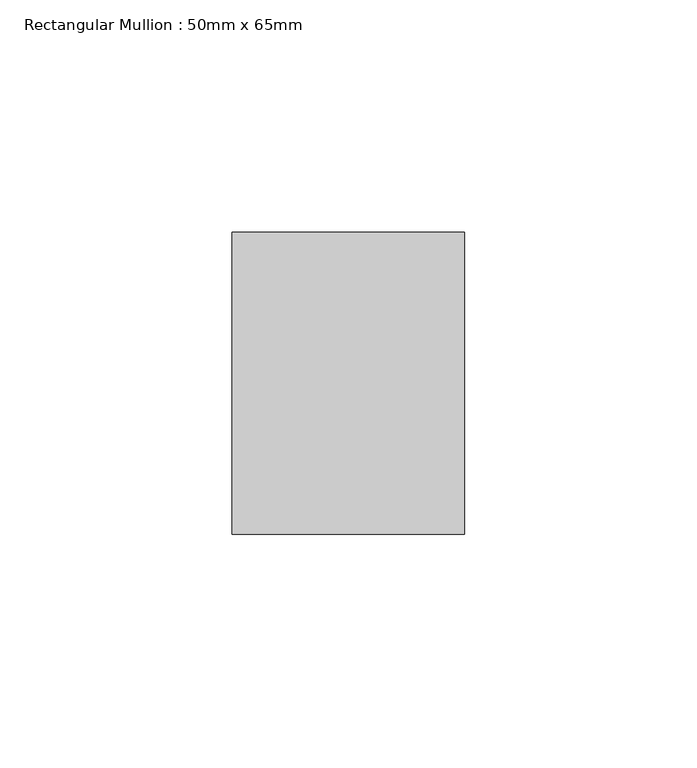
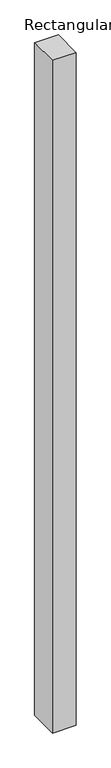
"""IFC4 building model written with IfcOpenShell, lengths in millimetres: member geometry, Rectangular Mullion : 50mm x 65mm."""

from ifc_helpers import new_model, si_unit, origin, place, context, project, spatial, faceted_brep, source, transform, mapped, element, save


def rectangular_mullion_50mm_x_65mm_c911af87(model_context):
    return source(origin(), model_context, "Body", "Brep", [
        faceted_brep([(-25.0, 32.5, -0.0443367), (25.0, 32.5, -0.0443363), (25.0, 32.5, -1499.9019232), (-25.0, 32.5, -1499.9019225), (-25.0, -32.5, 0.0443363), (-25.0, -32.5, -1500.0980999), (25.0, -32.5, 0.0443367), (25.0, -32.5, -1500.0981006)], [[[0, 1, 2, 3]], [[4, 0, 3, 5]], [[6, 4, 5, 7]], [[1, 6, 7, 2]], [[1, 0, 4, 6]], [[2, 7, 5, 3]]]),
    ])


if __name__ == "__main__":
    model = new_model("IFC4")
    model_context = context("Model", 3, world=origin())
    ifc_project = project(units=[si_unit("LENGTHUNIT", "METRE", prefix="MILLI")], contexts=[model_context])
    site = spatial("IfcSite", under=ifc_project)
    building = spatial("IfcBuilding", under=site)
    placement = place(None, origin())
    rectangular_mullion_50mm_x_65mm_shape = rectangular_mullion_50mm_x_65mm_c911af87(model_context)
    element("IfcMember", 1, ObjectType="Rectangular Mullion : 50mm x 65mm", at=placement, inside=building, context=model_context, shape_type="MappedRepresentation", body=[
        mapped(rectangular_mullion_50mm_x_65mm_shape, transform((0.0, 0.0, 0.0), x_axis=(1.0, 0.0, 0.0), y_axis=(0.0, 1.0, 0.0), z_axis=(0.0, 0.0, 1.0))),
    ])
    save(model, "model.ifc")
